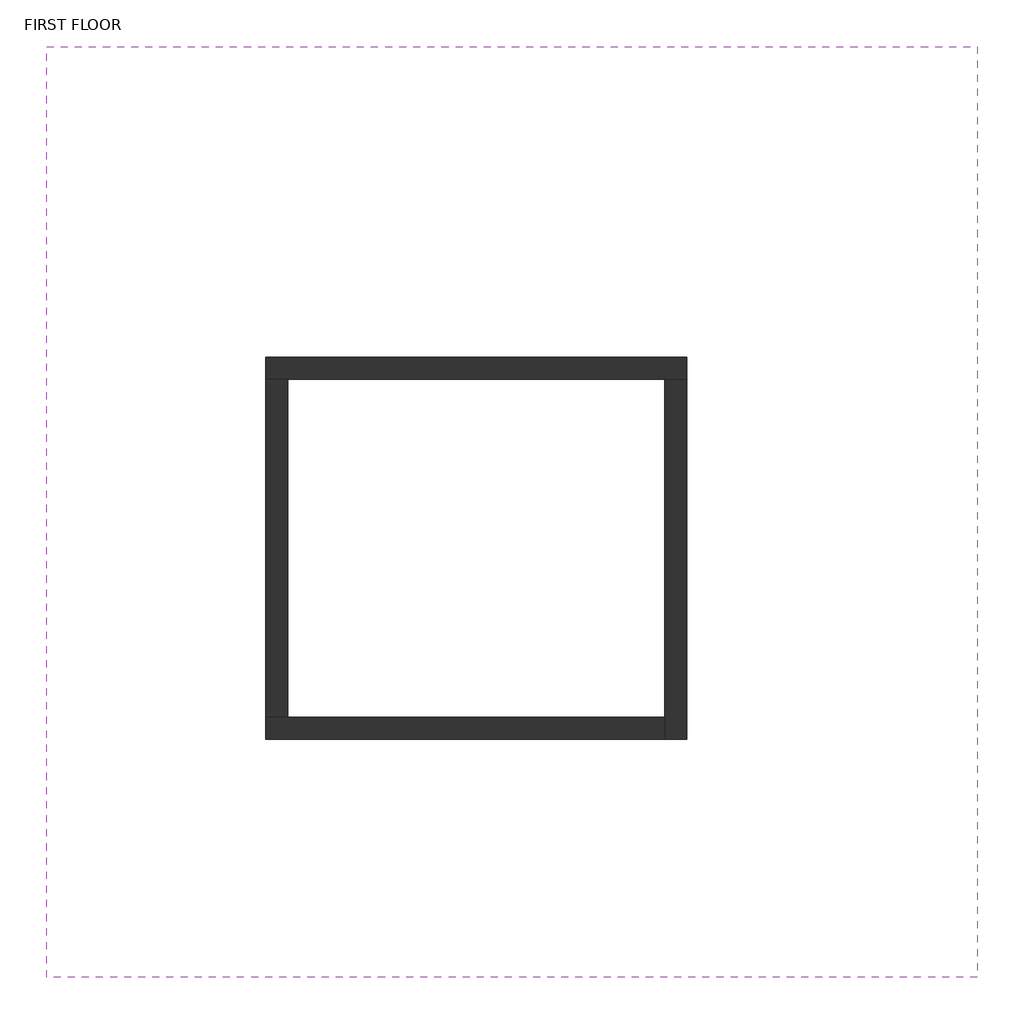
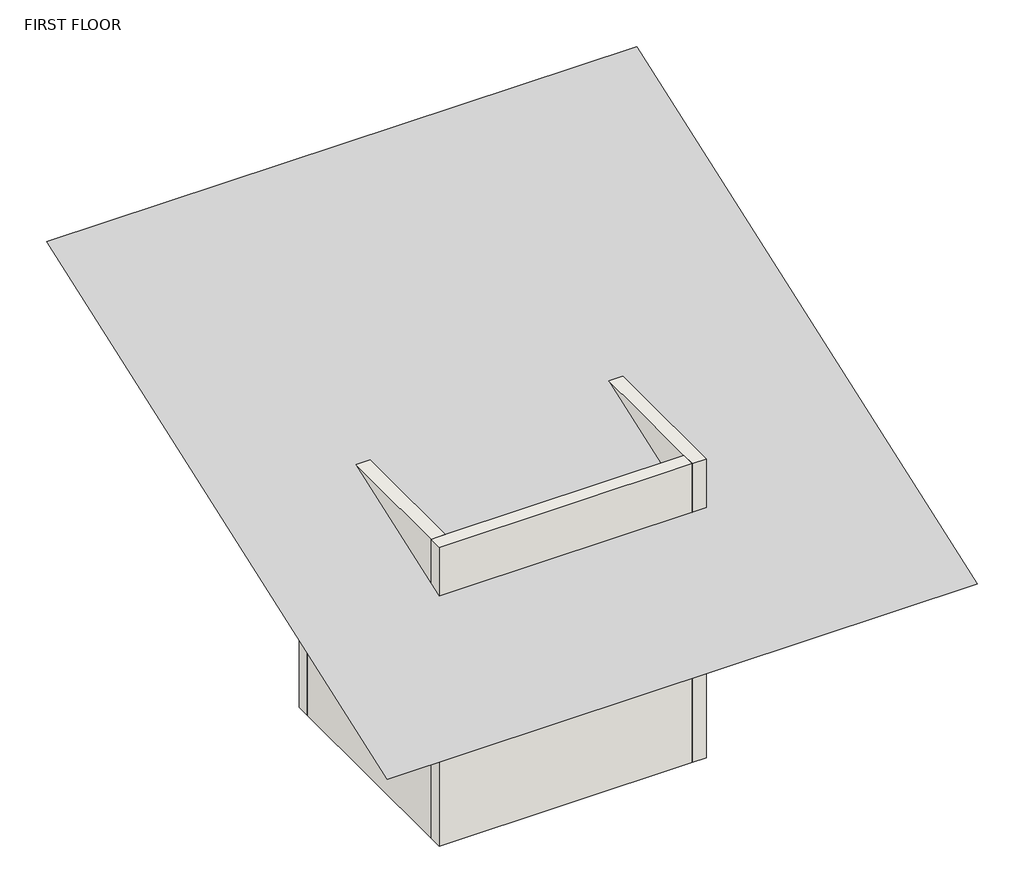
# One storey: 4 walls, 1 proxy.
"""IFC4 building model written with IfcOpenShell, lengths in millimetres."""

import ifcopenshell
import ifcopenshell.guid

model = None  # the IFC model being written
_history = None  # IfcOwnerHistory: only IFC2X3 demands one
_inside = {}  # id of a spatial element -> (the spatial element, [elements in it])
_under = {}  # id of a project, library or spatial element -> (it, [spatial elements below it])
_declared = {}  # id of a project -> (the project, [libraries it declares])
_typed = {}  # id of a type object -> (the type object, [elements of that type])
_made_of = {}  # id of a material, layer set ... -> (it, [elements and type objects made of it])


def new_model(schema):
    """Start an empty IFC model of exactly this schema.

    Asked for "IFC4X3", IfcOpenShell would pick the latest addendum, in which some entities
    have other attributes; the version numbers below select the first issue.
    IFC2X3 requires an IfcOwnerHistory on every rooted entity: one is made here for all.
    """
    global model, _history
    if schema == "IFC4X3":
        model = ifcopenshell.file(schema_version=(4, 3, 0, 0))
    else:
        model = ifcopenshell.file(schema=schema)
    _inside.clear()
    _under.clear()
    _declared.clear()
    _typed.clear()
    _made_of.clear()
    _history = None
    if model.schema == "IFC2X3":
        org = make("IfcOrganization", Name="unknown")
        user = make(
            "IfcPersonAndOrganization",
            ThePerson=make("IfcPerson", FamilyName="unknown"),
            TheOrganization=org,
        )
        app = make(
            "IfcApplication",
            ApplicationDeveloper=org,
            Version="unknown",
            ApplicationFullName="unknown",
            ApplicationIdentifier="unknown",
        )
        _history = make(
            "IfcOwnerHistory",
            OwningUser=user,
            OwningApplication=app,
            ChangeAction="ADDED",
            CreationDate=0,
        )
    return model


def make(cls, **values):
    """One entity of the class cls with the attributes given. An attribute that is None is left unset."""
    return model.create_entity(
        cls, **{name: value for name, value in values.items() if value is not None}
    )


def rooted(cls, **values):
    """An entity with a GlobalId (a new one), such as an element, a storey or a relation."""
    return make(cls, GlobalId=ifcopenshell.guid.new(), OwnerHistory=_history, **values)


def si_unit(unit_type, name, prefix=None):
    """IfcSIUnit, for example si_unit("LENGTHUNIT", "METRE", prefix="MILLI")."""
    return make("IfcSIUnit", UnitType=unit_type, Prefix=prefix, Name=name)


def assignment(units):
    """IfcUnitAssignment: the units of a project."""
    return None if units is None else make("IfcUnitAssignment", Units=units)


def point(xyz):
    """IfcCartesianPoint."""
    return None if xyz is None else make("IfcCartesianPoint", Coordinates=xyz)


def direction(xyz):
    """IfcDirection."""
    return None if xyz is None else make("IfcDirection", DirectionRatios=xyz)


def frame(location, z_axis=None, x_axis=None):
    """IfcAxis2Placement3D, a coordinate frame: its origin and axes. An axis left out is left unset."""
    return make(
        "IfcAxis2Placement3D",
        Location=point(location),
        Axis=direction(z_axis),
        RefDirection=direction(x_axis),
    )


def origin():
    """The frame at (0, 0, 0) with its axes left unset."""
    return frame((0.0, 0.0, 0.0))


def origin_with_axes():
    """The frame at (0, 0, 0) with the z axis (0, 0, 1) and the x axis (1, 0, 0) written out."""
    return frame((0.0, 0.0, 0.0), z_axis=(0.0, 0.0, 1.0), x_axis=(1.0, 0.0, 0.0))


def place(relative_to, where):
    """IfcLocalPlacement: puts the frame where relative to a parent placement (None: the world)."""
    return make(
        "IfcLocalPlacement", PlacementRelTo=relative_to, RelativePlacement=where
    )


def context(
    kind, dimensions, precision=None, world=None, true_north=None, identifier=None
):
    """IfcGeometricRepresentationContext, for example the 3D "Model" context."""
    return make(
        "IfcGeometricRepresentationContext",
        ContextIdentifier=identifier,
        ContextType=kind,
        CoordinateSpaceDimension=dimensions,
        Precision=precision,
        WorldCoordinateSystem=world,
        TrueNorth=true_north,
    )


def project(units=None, contexts=None):
    """IfcProject with its units and contexts."""
    return rooted(
        "IfcProject",
        Name="project",
        RepresentationContexts=contexts,
        UnitsInContext=assignment(units),
    )


def spatial(cls, under=None, at=None, **own):
    """A site, building, storey or space (cls), placed at a placement, below another one or the project."""
    s = rooted(cls, ObjectPlacement=at, **own)
    if under is not None:
        _under.setdefault(under.id(), (under, []))[1].append(s)
    return s


def polyline(points):
    """IfcPolyline through the points."""
    return make("IfcPolyline", Points=[point(p) for p in points])


def point_list(points):
    """IfcCartesianPointList2D or 3D."""
    cls = (
        "IfcCartesianPointList2D" if len(points[0]) == 2 else "IfcCartesianPointList3D"
    )
    return make(cls, CoordList=points)


def outline(outer, holes=None, kind="AREA"):
    """IfcArbitraryClosedProfileDef: a profile drawn as a closed curve; with holes, ...WithVoids."""
    if holes is None:
        return make("IfcArbitraryClosedProfileDef", ProfileType=kind, OuterCurve=outer)
    return make(
        "IfcArbitraryProfileDefWithVoids",
        ProfileType=kind,
        OuterCurve=outer,
        InnerCurves=holes,
    )


def extrude(swept, where, along, depth):
    """IfcExtrudedAreaSolid: the profile swept, set in the frame where, extruded along a direction by depth."""
    return make(
        "IfcExtrudedAreaSolid",
        SweptArea=swept,
        Position=where,
        ExtrudedDirection=direction(along),
        Depth=depth,
    )


def faces_of(points, faces, orient=None, outer=None):
    """IfcFace entities. A face is a list of loops; a loop is a list of indices into points, from 0.

    orient and outer hold one flag for each loop. By default every Orientation is true, the
    first loop of a face is its IfcFaceOuterBound and the others are IfcFaceBound.
    """
    made = []
    for i, loops in enumerate(faces):
        bounds = []
        for j, loop in enumerate(loops):
            is_outer = j == 0 if outer is None else outer[i][j]
            bounds.append(
                make(
                    "IfcFaceOuterBound" if is_outer else "IfcFaceBound",
                    Bound=make("IfcPolyLoop", Polygon=[points[k] for k in loop]),
                    Orientation=True if orient is None else orient[i][j],
                )
            )
        made.append(make("IfcFace", Bounds=bounds))
    return made


def faceted_brep(points, faces, orient=None, outer=None, voids=None):
    """IfcFacetedBrep: a solid bounded by flat faces; with voids (closed shells), ...WithVoids."""
    shared = [point(p) for p in points]
    hull = make("IfcClosedShell", CfsFaces=faces_of(shared, faces, orient, outer))
    if voids is None:
        return make("IfcFacetedBrep", Outer=hull)
    return make(
        "IfcFacetedBrepWithVoids",
        Outer=hull,
        Voids=[
            make(cls, CfsFaces=faces_of(shared, fs, o, b)) for cls, fs, o, b in voids
        ],
    )


def triangles(points, corners, closed=None, point_numbers=None):
    """IfcTriangulatedFaceSet: each triangle names its three corners, points numbered from 1."""
    return make(
        "IfcTriangulatedFaceSet",
        Coordinates=point_list(points),
        Closed=closed,
        CoordIndex=corners,
        PnIndex=point_numbers,
    )


def shape(context_of_items, identifier, shape_type, items):
    """IfcShapeRepresentation: the items that make up one representation, for example the "Body"."""
    return make(
        "IfcShapeRepresentation",
        ContextOfItems=context_of_items,
        RepresentationIdentifier=identifier,
        RepresentationType=shape_type,
        Items=items,
    )


def made_of(thing, what):
    """Note that an element or type object is made of a material, layer set ...; save() writes the relation."""
    if what is not None:
        _made_of.setdefault(what.id(), (what, []))[1].append(thing)
    return thing


def element(
    cls,
    number,
    at=None,
    inside=None,
    cuts=None,
    type_object=None,
    material=None,
    context=None,
    identifier="Body",
    shape_type=None,
    held_by="IfcProductDefinitionShape",
    body=None,
    shapes=None,
    **own,
):
    """One element of the class cls, such as IfcWall. Its Tag is "e" and its number.

    at: its placement. inside: the storey or other place that contains it. cuts: it is an
    opening in that element (IfcRelVoidsElement). A single representation is given by context,
    identifier, shape_type and body (its items); several are given by shapes. held_by: the class
    of the entity that holds the representations. save() writes the other relations.
    """
    e = rooted(cls, Tag="e%d" % number, ObjectPlacement=at, **own)
    if body is not None:
        shapes = [shape(context, identifier, shape_type, body)]
    if shapes is not None:
        e.Representation = make(held_by, Representations=shapes)
    if inside is not None:
        _inside.setdefault(inside.id(), (inside, []))[1].append(e)
    if cuts is not None:
        rooted(
            "IfcRelVoidsElement", RelatingBuildingElement=cuts, RelatedOpeningElement=e
        )
    if type_object is not None:
        _typed.setdefault(type_object.id(), (type_object, []))[1].append(e)
    return made_of(e, material)


def aggregate(whole, parts):
    """IfcRelAggregates: a whole, such as a stair, and the parts it consists of."""
    return rooted("IfcRelAggregates", RelatingObject=whole, RelatedObjects=parts)


def save(model, path):
    """Write the relations noted so far, then the file.

    IfcRelAggregates (storeys below a building ...), IfcRelContainedInSpatialStructure (elements
    in a storey), IfcRelDefinesByType, IfcRelAssociatesMaterial and IfcRelDeclares: one each for
    every whole, place, type object, material and project.
    """
    for whole, parts in _under.values():
        aggregate(whole, parts)
    for where, things in _inside.values():
        rooted(
            "IfcRelContainedInSpatialStructure",
            RelatedElements=things,
            RelatingStructure=where,
        )
    for kind, things in _typed.values():
        rooted("IfcRelDefinesByType", RelatedObjects=things, RelatingType=kind)
    for what, things in _made_of.values():
        rooted("IfcRelAssociatesMaterial", RelatedObjects=things, RelatingMaterial=what)
    for by, libraries in _declared.values():
        rooted("IfcRelDeclares", RelatingContext=by, RelatedDefinitions=libraries)
    model.write(path)


model = new_model("IFC4")

# Units and contexts
model_context = context("Model", 3, world=origin())
ifc_project = project(units=[si_unit("LENGTHUNIT", "METRE", prefix="MILLI")], contexts=[model_context])

# Site, building, storey
site = spatial("IfcSite", under=ifc_project)
building = spatial("IfcBuilding", under=site)
storey = spatial("IfcBuildingStorey", under=building, Name="FIRST FLOOR", Elevation=0.0)

# Proxy
placement = place(None, origin())
element("IfcBuildingElementProxy", 1, Name="Building Element Proxy", at=placement, inside=storey, context=model_context, shape_type="Tessellation", body=[
    triangles([(1942.7726944, -3774.2248581, 1524.0), (6209.9726944, -3774.2248581, 1524.0), (1942.7726944, 492.9752872, 3048.0), (6209.9726944, 492.9752872, 3048.0)], [[3, 1, 4], [2, 4, 1]], closed=False),
])

# Walls
element("IfcWall", 2, ObjectType="Generic - 4\"", at=placement, inside=storey, context=model_context, shape_type="Brep", body=[
    faceted_brep([(2947.9062222, -1031.8695922, 0.0), (3049.5062222, -1031.8695922, 0.0), (4776.7062222, -1031.8695922, 0.0), (4878.3062222, -1031.8695922, 0.0), (4878.3062222, -1031.8695922, 2286.0), (4776.7062222, -1031.8695922, 2286.0), (3049.5062222, -1031.8695922, 2286.0), (2947.9062222, -1031.8695922, 2286.0), (2947.9062222, -930.2695922, 0.0), (2947.9062222, -930.2695922, 2286.0), (4878.3062222, -930.2695922, 2286.0), (4878.3062222, -930.2695922, 0.0)], [[[0, 1, 2, 3, 4, 5, 6, 7]], [[8, 9, 10, 11]], [[3, 2, 1, 0, 8, 11]], [[7, 6, 5, 4, 10, 9]], [[4, 3, 11, 10]], [[0, 7, 9, 8]]]),
])
element("IfcWall", 3, ObjectType="Generic - 4\"", at=placement, inside=storey, context=model_context, shape_type="Brep", body=[
    faceted_brep([(4776.7062222, -1031.8695922, 0.0), (4776.7062222, -2581.2695922, 0.0), (4776.7062222, -2682.8695922, 0.0), (4776.7062222, -2682.8695922, 2286.0), (4776.7062222, -2581.2695922, 2286.0), (4776.7062222, -1031.8695922, 2286.0), (4878.3062222, -1031.8695922, 0.0), (4878.3062222, -1031.8695922, 2286.0), (4878.3062222, -2682.8695922, 2286.0), (4878.3062222, -2682.8695922, 0.0)], [[[0, 1, 2, 3, 4, 5]], [[6, 7, 8, 9]], [[2, 1, 0, 6, 9]], [[5, 4, 3, 8, 7]], [[0, 5, 7, 6]], [[3, 2, 9, 8]]]),
])
element("IfcWall", 4, ObjectType="Generic - 4\"", at=placement, inside=storey, context=model_context, shape_type="Brep", body=[
    faceted_brep([(4776.7062222, -2581.2695922, 0.0), (3049.5062222, -2581.2695922, 0.0), (2947.9062222, -2581.2695922, 0.0), (2947.9062222, -2581.2695922, 2286.0), (3049.5062222, -2581.2695922, 2286.0), (4776.7062222, -2581.2695922, 2286.0), (4776.7062222, -2682.8695922, 0.0), (4776.7062222, -2682.8695922, 2286.0), (2947.9062222, -2682.8695922, 2286.0), (2947.9062222, -2682.8695922, 0.0)], [[[0, 1, 2, 3, 4, 5]], [[6, 7, 8, 9]], [[2, 1, 0, 6, 9]], [[5, 4, 3, 8, 7]], [[0, 5, 7, 6]], [[3, 2, 9, 8]]]),
])
element("IfcWall", 5, ObjectType="Generic - 4\"", at=placement, inside=storey, context=model_context, shape_type="SweptSolid", body=[
    extrude(outline(polyline([(3049.5062222, -1031.8695922), (3049.5062222, -2581.2695922), (2947.9062222, -2581.2695922), (2947.9062222, -1031.8695922), (3049.5062222, -1031.8695922)])), origin_with_axes(), (0.0, 0.0, 1.0), 2286.0),
])

save(model, "model.ifc")
